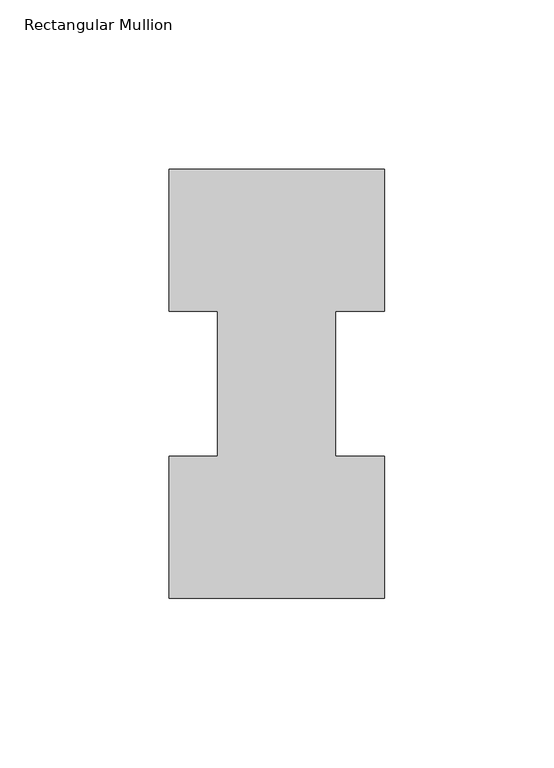
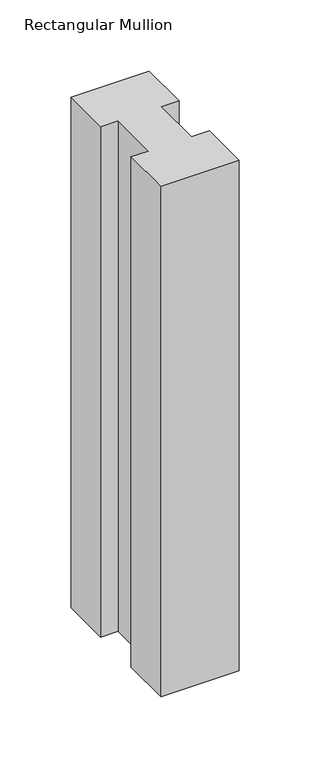
"""IFC4 building model written with IfcOpenShell, lengths in millimetres: member geometry, Rectangular Mullion."""

from ifc_helpers import new_model, si_unit, frame, origin, place, context, project, spatial, polyline, outline, extrude, source, transform, mapped, element, save


def rectangular_mullion_a0a887d0(model_context):
    return source(origin(), model_context, "Body", "SweptSolid", [
        extrude(outline(polyline([(-63.5, -0.0373062), (-63.5, 41.7837937), (-49.2125, 41.7837937), (-49.2125, 84.6335938), (-63.5, 84.6335938), (-63.5, 126.4546937), (0.0, 126.4546938), (0.0, 84.6335938), (-14.4999808, 84.6335938), (-14.4999808, 41.7837937), (0.0, 41.7837937), (0.0, -0.0373062), (-63.5, -0.0373062)])), frame((0.0, 0.0, -438.15), z_axis=(0.0, 0.0, 1.0), x_axis=(1.0, 0.0, 0.0)), (0.0, 0.0, 1.0), 438.15),
    ])


if __name__ == "__main__":
    model = new_model("IFC4")
    model_context = context("Model", 3, world=origin())
    ifc_project = project(units=[si_unit("LENGTHUNIT", "METRE", prefix="MILLI")], contexts=[model_context])
    site = spatial("IfcSite", under=ifc_project)
    building = spatial("IfcBuilding", under=site)
    placement = place(None, origin())
    rectangular_mullion_shape = rectangular_mullion_a0a887d0(model_context)
    element("IfcMember", 1, ObjectType="Rectangular Mullion", at=placement, inside=building, context=model_context, shape_type="MappedRepresentation", body=[
        mapped(rectangular_mullion_shape, transform((0.0, 0.0, 0.0), x_axis=(1.0, 0.0, 0.0), y_axis=(0.0, 1.0, 0.0), z_axis=(0.0, 0.0, 1.0))),
    ])
    save(model, "model.ifc")
